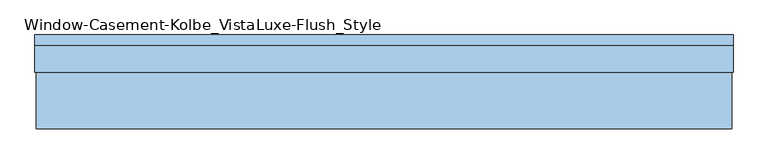
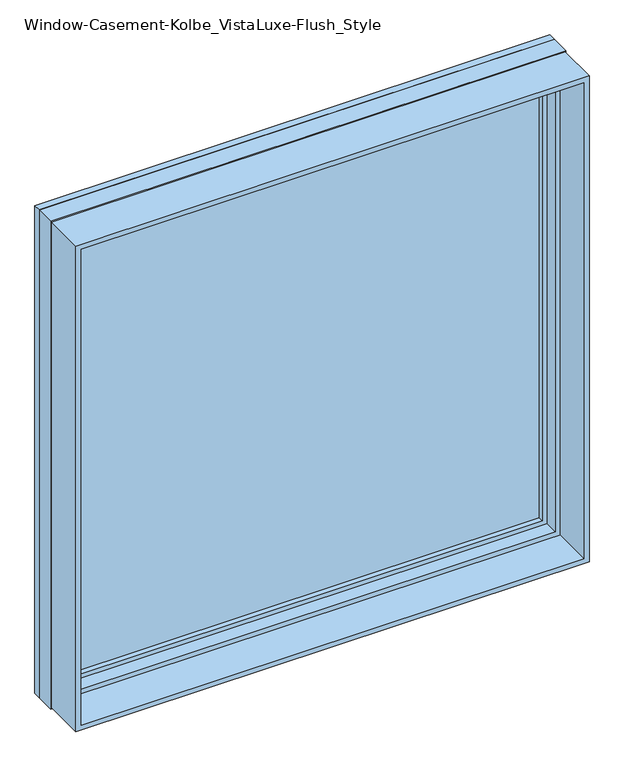
"""IFC4 building model written with IfcOpenShell, lengths in millimetres: window geometry, Window-Casement-Kolbe_VistaLuxe-Flush_Style."""

from ifc_helpers import new_model, si_unit, frame, origin, place, context, project, spatial, polyline, outline, extrude, faceted_brep, source, transform, mapped, element, save


def window_casement_kolbe_vistaluxe_flush_style_eb9f5a1d(model_context):
    return source(origin(), model_context, "Body", "SolidModel", [
        faceted_brep([(-863.6696599, 127.72898, 970.676875), (852.5765901, 127.72898, 970.676875), (852.5765901, 135.66648, 970.676875), (-863.6696599, 135.66648, 970.676875), (-879.5446599, 105.47858, 954.801875), (868.4515901, 105.47858, 954.801875), (868.4515901, 127.72898, 954.801875), (-879.5446599, 127.72898, 954.801875), (-863.6696599, 86.45398, 970.676875), (852.5765901, 86.45398, 970.676875), (852.5765901, 105.47858, 970.676875), (-863.6696599, 105.47858, 970.676875), (-908.1196599, 135.66648, 926.226875), (897.0265901, 135.66648, 926.226875), (897.0265901, 86.45398, 926.226875), (-908.1196599, 86.45398, 926.226875), (852.5765901, 127.72898, 2686.923125), (852.5765901, 135.66648, 2686.923125), (868.4515901, 105.47858, 2702.798125), (868.4515901, 127.72898, 2702.798125), (852.5765901, 86.45398, 2686.923125), (852.5765901, 105.47858, 2686.923125), (897.0265901, 135.66648, 2731.373125), (897.0265901, 86.45398, 2731.373125), (-863.6696599, 127.72898, 2686.923125), (-863.6696599, 135.66648, 2686.923125), (-879.5446599, 105.47858, 2702.798125), (-879.5446599, 127.72898, 2702.798125), (-863.6696599, 86.45398, 2686.923125), (-863.6696599, 105.47858, 2686.923125), (-908.1196599, 135.66648, 2731.373125), (-908.1196599, 86.45398, 2731.373125)], [[[0, 1, 2, 3]], [[4, 5, 6, 7]], [[8, 9, 10, 11]], [[12, 13, 14, 15]], [[1, 16, 17, 2]], [[5, 18, 19, 6]], [[9, 20, 21, 10]], [[13, 22, 23, 14]], [[16, 24, 25, 17]], [[18, 26, 27, 19]], [[20, 28, 29, 21]], [[22, 30, 31, 23]], [[24, 0, 3, 25]], [[7, 6, 19, 27], [1, 0, 24, 16]], [[26, 4, 7, 27]], [[5, 4, 26, 18], [11, 10, 21, 29]], [[28, 8, 11, 29]], [[15, 14, 23, 31], [9, 8, 28, 20]], [[30, 12, 15, 31]], [[13, 12, 30, 22], [3, 2, 17, 25]]]),
        extrude(outline(polyline([(2739.6186, -916.3651349), (917.9814, -916.3651349), (917.9814, 905.2720651), (2739.6186, 905.2720651), (2739.6186, -916.3651349)]), holes=[polyline([(936.545625, -897.8009099), (2721.054375, -897.8009099), (2721.054375, 886.7078401), (936.545625, 886.7078401), (936.545625, -897.8009099)])]), frame((0.0, -109.5375, 0.0), z_axis=(0.0, 1.0, 0.0), x_axis=(0.0, 0.0, 1.0)), (0.0, 0.0, 1.0), 148.4122),
        extrude(outline(polyline([(2743.2, 908.8534651), (2743.2, -919.9465349), (914.4, -919.9465349), (914.4, 908.8534651), (2743.2, 908.8534651)]), holes=[polyline([(2731.373125, -908.1196599), (2731.373125, 897.0265901), (926.226875, 897.0265901), (926.226875, -908.1196599), (2731.373125, -908.1196599)])]), frame((0.0, 109.5375, 0.0), z_axis=(0.0, 1.0, 0.0), x_axis=(0.0, 0.0, 1.0)), (0.0, 0.0, 1.0), 26.924),
        faceted_brep([(908.8534651, 38.8747, 914.4), (-919.9465349, 38.8747, 914.4), (-919.9465349, 109.5375, 914.4), (908.8534651, 109.5375, 914.4), (886.7078401, 86.45525, 936.545625), (-897.8009099, 86.45525, 936.545625), (-897.8009099, 38.8747, 936.545625), (886.7078401, 38.8747, 936.545625), (897.0265901, 109.5375, 926.226875), (-908.1196599, 109.5375, 926.226875), (-908.1196599, 86.45525, 926.226875), (897.0265901, 86.45525, 926.226875), (-919.9465349, 38.8747, 2743.2), (-919.9465349, 109.5375, 2743.2), (-897.8009099, 86.45525, 2721.054375), (-897.8009099, 38.8747, 2721.054375), (-908.1196599, 109.5375, 2731.373125), (-908.1196599, 86.45525, 2731.373125), (908.8534651, 38.8747, 2743.2), (908.8534651, 109.5375, 2743.2), (886.7078401, 86.45525, 2721.054375), (886.7078401, 38.8747, 2721.054375), (897.0265901, 109.5375, 2731.373125), (897.0265901, 86.45525, 2731.373125)], [[[0, 1, 2, 3]], [[4, 5, 6, 7]], [[8, 9, 10, 11]], [[1, 12, 13, 2]], [[5, 14, 15, 6]], [[9, 16, 17, 10]], [[12, 18, 19, 13]], [[14, 20, 21, 15]], [[16, 22, 23, 17]], [[18, 0, 3, 19]], [[1, 0, 18, 12], [7, 6, 15, 21]], [[20, 4, 7, 21]], [[11, 10, 17, 23], [5, 4, 20, 14]], [[22, 8, 11, 23]], [[3, 2, 13, 19], [9, 8, 22, 16]]]),
        extrude(outline(polyline([(865.2765901, 108.65358), (865.2765901, 105.47858), (-876.3696599, 105.47858), (-876.3696599, 108.65358), (865.2765901, 108.65358)])), frame((0.0, 0.0, 957.976875), z_axis=(0.0, 0.0, 1.0), x_axis=(1.0, 0.0, 0.0)), (0.0, 0.0, 1.0), 1741.64625),
        extrude(outline(polyline([(865.2765901, 124.55398), (-876.3696599, 124.55398), (-876.3696599, 127.72898), (865.2765901, 127.72898), (865.2765901, 124.55398)])), frame((0.0, 0.0, 957.976875), z_axis=(0.0, 0.0, 1.0), x_axis=(1.0, 0.0, 0.0)), (0.0, 0.0, 1.0), 1741.64625),
        extrude(outline(polyline([(936.545625, -897.8009099), (936.545625, 886.7078401), (2721.054375, 886.7078401), (2721.054375, -897.8009099), (936.545625, -897.8009099)]), holes=[polyline([(954.801875, 868.4515901), (954.801875, -879.5446599), (2702.798125, -879.5446599), (2702.798125, 868.4515901), (954.801875, 868.4515901)])]), frame((0.0, 35.65525, 0.0), z_axis=(0.0, 1.0, 0.0), x_axis=(0.0, 0.0, 1.0)), (0.0, 0.0, 1.0), 50.8),
    ])


if __name__ == "__main__":
    model = new_model("IFC4")
    model_context = context("Model", 3, world=origin())
    ifc_project = project(units=[si_unit("LENGTHUNIT", "METRE", prefix="MILLI")], contexts=[model_context])
    site = spatial("IfcSite", under=ifc_project)
    building = spatial("IfcBuilding", under=site)
    placement = place(None, origin())
    window_casement_kolbe_vistaluxe_flush_style_shape = window_casement_kolbe_vistaluxe_flush_style_eb9f5a1d(model_context)
    element("IfcWindow", 1, ObjectType="Window-Casement-Kolbe_VistaLuxe-Flush_Style", at=placement, inside=building, context=model_context, shape_type="MappedRepresentation", body=[
        mapped(window_casement_kolbe_vistaluxe_flush_style_shape, transform((0.0, 0.0, 0.0), x_axis=(1.0, 0.0, 0.0), y_axis=(0.0, 1.0, 0.0), z_axis=(0.0, 0.0, 1.0))),
    ])
    save(model, "model.ifc")
